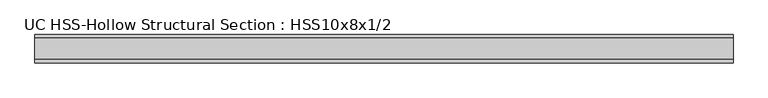
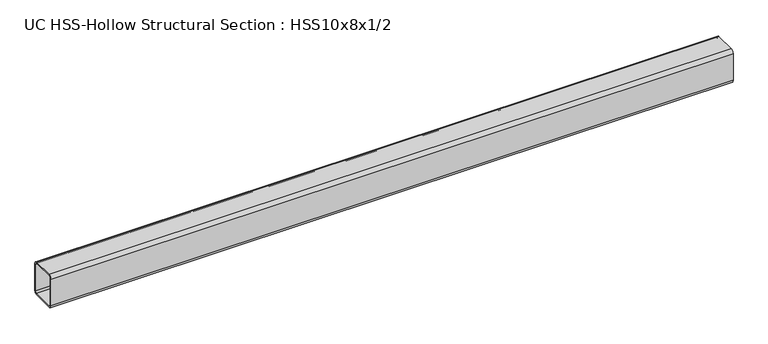
"""IFC4 building model written with IfcOpenShell, lengths in millimetres: beam geometry, UC HSS-Hollow Structural Section : HSS10x8x1/2."""

from ifc_helpers import new_model, si_unit, point, frame, frame_2d, origin, place, context, project, spatial, polyline, circle_curve, trimmed, segment, composite_curve, outline, extrude, source, transform, mapped, element, save


def uc_hss_hollow_structural_section_hss10x8x1_2_fc3a38c0(model_context):
    return source(origin(), model_context, "Body", "SweptSolid", [
        extrude(outline(composite_curve([segment(trimmed(circle_curve(frame_2d((-77.978, 103.378)), 23.622), [point((-101.6, 103.378))], [point((-77.978, 127.0))], False, "CARTESIAN"), True, "CONTINUOUS"), segment(polyline([(-77.978, 127.0), (77.978, 127.0)]), True, "CONTINUOUS"), segment(trimmed(circle_curve(frame_2d((77.978, 103.378)), 23.622), [point((77.978, 127.0))], [point((101.6, 103.378))], False, "CARTESIAN"), True, "CONTINUOUS"), segment(polyline([(101.6, 103.378), (101.6, -103.378)]), True, "CONTINUOUS"), segment(trimmed(circle_curve(frame_2d((77.978, -103.378)), 23.622), [point((101.6, -103.378))], [point((77.978, -127.0))], False, "CARTESIAN"), True, "CONTINUOUS"), segment(polyline([(77.978, -127.0), (-77.978, -127.0)]), True, "CONTINUOUS"), segment(trimmed(circle_curve(frame_2d((-77.978, -103.378)), 23.622), [point((-77.978, -127.0))], [point((-101.6, -103.378))], False, "CARTESIAN"), True, "CONTINUOUS"), segment(polyline([(-101.6, -103.378), (-101.6, 103.378)]), True, "CONTINUOUS")], self_intersect=False), holes=[composite_curve([segment(polyline([(77.978, 115.189), (-77.978, 115.189)]), True, "CONTINUOUS"), segment(trimmed(circle_curve(frame_2d((-77.978, 103.378)), 11.811), [point((-77.978, 115.189))], [point((-89.789, 103.378))], True, "CARTESIAN"), True, "CONTINUOUS"), segment(polyline([(-89.789, 103.378), (-89.789, -103.378)]), True, "CONTINUOUS"), segment(trimmed(circle_curve(frame_2d((-77.978, -103.378)), 11.811), [point((-89.789, -103.378))], [point((-77.978, -115.189))], True, "CARTESIAN"), True, "CONTINUOUS"), segment(polyline([(-77.978, -115.189), (77.978, -115.189)]), True, "CONTINUOUS"), segment(trimmed(circle_curve(frame_2d((77.978, -103.378)), 11.811), [point((77.978, -115.189))], [point((89.789, -103.378))], True, "CARTESIAN"), True, "CONTINUOUS"), segment(polyline([(89.789, -103.378), (89.789, 103.378)]), True, "CONTINUOUS"), segment(trimmed(circle_curve(frame_2d((77.978, 103.378)), 11.811), [point((89.789, 103.378))], [point((77.978, 115.189))], True, "CARTESIAN"), True, "CONTINUOUS")], self_intersect=False)]), frame((-2468.5625, 0.0, 0.0), z_axis=(1.0, 0.0, 0.0), x_axis=(0.0, 1.0, 0.0)), (0.0, 0.0, 1.0), 5013.3249994),
    ])


if __name__ == "__main__":
    model = new_model("IFC4")
    model_context = context("Model", 3, world=origin())
    ifc_project = project(units=[si_unit("LENGTHUNIT", "METRE", prefix="MILLI")], contexts=[model_context])
    site = spatial("IfcSite", under=ifc_project)
    building = spatial("IfcBuilding", under=site)
    placement = place(None, origin())
    uc_hss_hollow_structural_section_hss10x8x1_2_shape = uc_hss_hollow_structural_section_hss10x8x1_2_fc3a38c0(model_context)
    element("IfcBeam", 1, ObjectType="UC HSS-Hollow Structural Section : HSS10x8x1/2", at=placement, inside=building, context=model_context, shape_type="MappedRepresentation", body=[
        mapped(uc_hss_hollow_structural_section_hss10x8x1_2_shape, transform((0.0, 0.0, 0.0), x_axis=(1.0, 0.0, 0.0), y_axis=(0.0, 1.0, 0.0), z_axis=(0.0, 0.0, 1.0))),
    ])
    save(model, "model.ifc")
